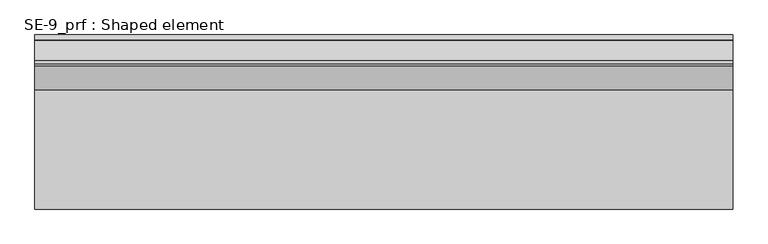
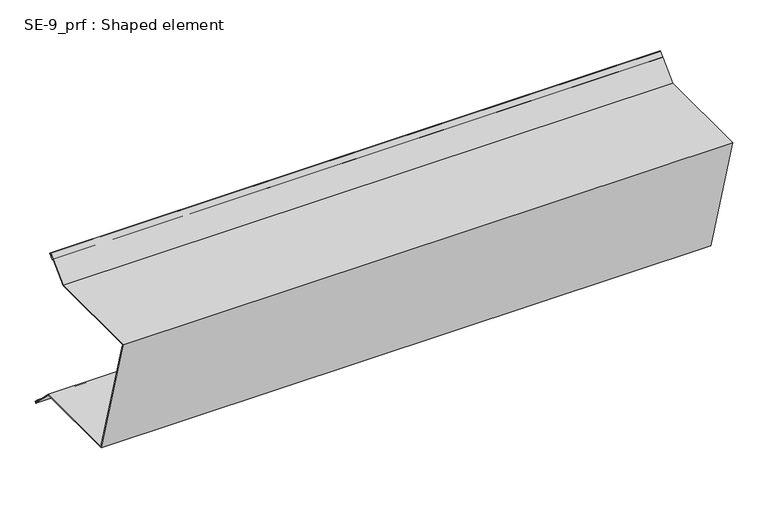
"""IFC4 building model written with IfcOpenShell, lengths in millimetres: proxy geometry, SE-9_prf : Shaped element."""

from ifc_helpers import new_model, si_unit, origin, place, context, project, spatial, faceted_brep, source, transform, mapped, element, save


def se_9_prf_shaped_element_e9c3beea(model_context):
    return source(origin(), model_context, "Body", "Brep", [
        faceted_brep([(0.0, -65.0364677, 0.0), (0.0, -66.0767672, 0.0), (0.0, -66.9370033, 3.0), (0.0, 103.0629967, 3.0), (0.0, 138.4183357, 38.3553391), (0.0, 140.5396561, 36.2340187), (0.0, 133.4685883, 29.1629509), (0.0, 132.7614815, 29.8700577), (0.0, 139.1254425, 36.2340187), (0.0, 138.4183357, 36.9411255), (0.0, 103.4772102, 2.0), (0.0, -65.6099585, 2.0), (0.0, -4.2464459, -212.0), (0.0, 145.4142136, -212.0), (0.0, 180.3553391, -246.9411255), (0.0, 181.0624458, -246.2340187), (0.0, 174.6984848, -239.8700577), (0.0, 175.4055916, -239.1629509), (0.0, 182.4766594, -246.2340187), (0.0, 180.3553391, -248.3553391), (0.0, 145.0, -213.0), (0.0, -5.0, -213.0), (1000.0, -66.0767672, 0.0), (1000.0, -65.0364677, 0.0), (1000.0, -65.6099585, 2.0), (1000.0, 103.4772102, 2.0), (1000.0, 138.4183357, 36.9411255), (1000.0, 139.1254425, 36.2340187), (1000.0, 132.7614815, 29.8700577), (1000.0, 133.4685883, 29.1629509), (1000.0, 140.5396561, 36.2340187), (1000.0, 138.4183357, 38.3553391), (1000.0, 103.0629967, 3.0), (1000.0, -66.9370033, 3.0), (1000.0, -5.0, -213.0), (1000.0, 145.0, -213.0), (1000.0, 180.3553391, -248.3553391), (1000.0, 182.4766594, -246.2340187), (1000.0, 175.4055916, -239.1629509), (1000.0, 174.6984848, -239.8700577), (1000.0, 181.0624458, -246.2340187), (1000.0, 180.3553391, -246.9411255), (1000.0, 145.4142136, -212.0), (1000.0, -4.2464459, -212.0)], [[[0, 1, 2, 3, 4, 5, 6, 7, 8, 9, 10, 11]], [[1, 0, 12, 13, 14, 15, 16, 17, 18, 19, 20, 21]], [[22, 23, 24, 25, 26, 27, 28, 29, 30, 31, 32, 33]], [[23, 22, 34, 35, 36, 37, 38, 39, 40, 41, 42, 43]], [[3, 2, 33, 32]], [[20, 19, 36, 35]], [[21, 20, 35, 34]], [[19, 18, 37, 36]], [[18, 17, 38, 37]], [[7, 6, 29, 28]], [[8, 7, 28, 27]], [[9, 8, 27, 26]], [[10, 9, 26, 25]], [[11, 10, 25, 24]], [[0, 11, 24, 23, 43, 12]], [[13, 12, 43, 42]], [[14, 13, 42, 41]], [[15, 14, 41, 40]], [[16, 15, 40, 39]], [[17, 16, 39, 38]], [[2, 1, 21, 34, 22, 33]], [[6, 5, 30, 29]], [[5, 4, 31, 30]], [[4, 3, 32, 31]]]),
    ])


if __name__ == "__main__":
    model = new_model("IFC4")
    model_context = context("Model", 3, world=origin())
    ifc_project = project(units=[si_unit("LENGTHUNIT", "METRE", prefix="MILLI")], contexts=[model_context])
    site = spatial("IfcSite", under=ifc_project)
    building = spatial("IfcBuilding", under=site)
    placement = place(None, origin())
    se_9_prf_shaped_element_shape = se_9_prf_shaped_element_e9c3beea(model_context)
    element("IfcBuildingElementProxy", 1, Name="SE-9_prf : Shaped element", ObjectType="SE-9_prf : Shaped element", at=placement, inside=building, context=model_context, shape_type="MappedRepresentation", body=[
        mapped(se_9_prf_shaped_element_shape, transform((0.0, 0.0, 0.0), x_axis=(1.0, 0.0, 0.0), y_axis=(0.0, 1.0, 0.0), z_axis=(0.0, 0.0, 1.0))),
    ])
    save(model, "model.ifc")
